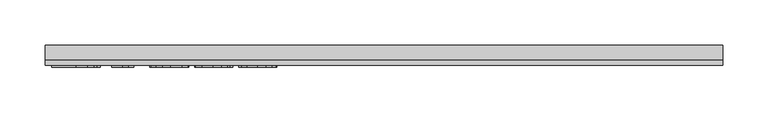
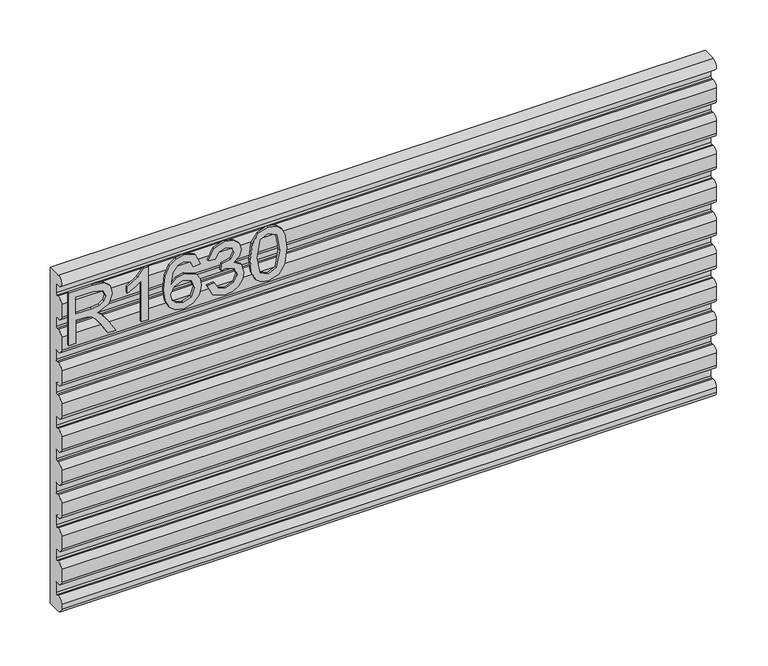
"""IFC4 building model written with IfcOpenShell, lengths in millimetres: furniture geometry."""

from ifc_helpers import new_model, si_unit, point, frame, frame_2d, origin, place, context, project, spatial, polyline, circle_curve, trimmed, segment, composite_curve, outline, extrude, source, transform, mapped, element, save


def furniture_6cfe3d48(model_context):
    return source(origin(), model_context, "Body", "SweptSolid", [
        extrude(outline(polyline([(1090.64298, -367.6729953), (1090.64298, -359.6992757), (1118.5509987, -359.6992757), (1118.5509987, -350.074747), (1118.2706726, -345.4493666), (1116.7522396, -341.6571777), (1112.61743, -337.4444997), (1103.8650268, -331.4486363), (1090.64298, -323.1478696), (1090.64298, -313.8815353), (1107.929755, -324.5183526), (1116.1370796, -330.9814262), (1119.5477136, -335.5133645), (1125.4812823, -322.1589415), (1136.9746516, -317.8372477), (1146.6225409, -320.4458376), (1152.7118463, -327.4228423), (1154.4327369, -340.1854658), (1154.4327369, -367.6729953), (1090.64298, -367.6729953)]), holes=[polyline([(1126.5247183, -359.6992757), (1146.4590173, -359.6992757), (1146.4590173, -339.842845), (1143.7024775, -329.1826671), (1136.6787519, -325.8109673), (1131.2669011, -327.578579), (1127.6538094, -332.7490378), (1126.5247183, -341.8518486), (1126.5247183, -359.6992757)])]), frame((0.0, -24.60625, 0.0), z_axis=(0.0, 1.0, 0.0), x_axis=(0.0, 0.0, 1.0)), (0.0, 0.0, 1.0), 2.38125),
        extrude(outline(polyline([(1090.64298, -276.9719347), (1154.4327369, -276.9719347), (1154.4327369, -282.1112462), (1145.9450862, -289.2050533), (1138.4852977, -300.8930935), (1130.9476409, -300.8930935), (1134.9734349, -292.4988848), (1140.3541382, -284.9456543), (1090.64298, -284.9456543), (1090.64298, -276.9719347)])), frame((0.0, -24.60625, 0.0), z_axis=(0.0, 1.0, 0.0), x_axis=(0.0, 0.0, 1.0)), (0.0, 0.0, 1.0), 2.38125),
        extrude(outline(polyline([(1137.4885828, -217.1690375), (1149.931946, -223.0558852), (1154.4327369, -235.6549852), (1152.6145108, -244.9096392), (1147.1598325, -252.0540609), (1136.3010903, -257.2868144), (1120.4198392, -259.0310655), (1106.2945195, -257.4600715), (1096.8101538, -252.7470892), (1091.4372372, -245.5423196), (1089.646265, -236.4959634), (1092.348297, -226.0460301), (1100.1351326, -218.804273), (1111.1379312, -216.1723226), (1119.3102151, -217.5700596), (1125.8239031, -221.7632705), (1131.508293, -235.3123644), (1129.4292079, -244.0258334), (1123.0673633, -251.0573459), (1137.2783382, -248.7913768), (1144.5278821, -243.3483787), (1146.4590173, -236.1533426), (1143.1418254, -228.1640494), (1136.4918678, -225.1427572), (1137.4885828, -217.1690375)]), holes=[polyline([(1111.2625206, -251.0573459), (1120.1473, -247.0938466), (1123.5345734, -237.4459574), (1120.1473, -227.6734787), (1110.8731788, -224.1460422), (1101.1863554, -227.7201997), (1097.6199847, -237.1189103), (1099.3408753, -244.3061595), (1104.3555974, -249.2118659), (1111.2625206, -251.0573459)])]), frame((0.0, -24.60625, 0.0), z_axis=(0.0, 1.0, 0.0), x_axis=(0.0, 0.0, 1.0)), (0.0, 0.0, 1.0), 2.38125),
        extrude(outline(polyline([(1107.5871342, -209.1953179), (1094.6454135, -202.8568338), (1089.646265, -188.8716771), (1091.1101901, -180.3489856), (1095.5019654, -173.438169), (1101.9961863, -168.8595097), (1109.7674481, -167.3332899), (1120.1395131, -170.3857295), (1125.590298, -179.075838), (1130.8697725, -172.5348961), (1138.2205453, -170.3234348), (1146.2643464, -172.6516986), (1152.2446362, -179.3795245), (1154.4327369, -188.9962665), (1149.9942407, -201.6732348), (1137.4885828, -208.198603), (1136.4918678, -200.2248834), (1143.9672299, -196.3158919), (1146.4590173, -188.7159404), (1143.9905905, -181.2094309), (1137.7533352, -178.2971544), (1130.7140358, -182.3151616), (1128.5181482, -192.6405055), (1120.5444286, -193.5282048), (1121.4165542, -187.9372568), (1118.15387, -178.8733802), (1109.9076112, -175.3070095), (1101.155208, -178.9045276), (1097.6199847, -188.591351), (1100.1896404, -196.8220362), (1108.5838491, -201.2215983), (1107.5871342, -209.1953179)])), frame((0.0, -24.60625, 0.0), z_axis=(0.0, 1.0, 0.0), x_axis=(0.0, 0.0, 1.0)), (0.0, 0.0, 1.0), 2.38125),
        extrude(outline(polyline([(1122.0239273, -160.3562853), (1106.5086575, -158.7677708), (1095.7199968, -154.0022274), (1091.164698, -147.7104643), (1089.646265, -139.4252713), (1093.1425542, -127.7528048), (1103.7482243, -120.8147343), (1122.0239273, -118.4942573), (1137.0135858, -119.9426087), (1146.4512305, -123.6802898), (1152.3770124, -130.1122159), (1154.4327369, -139.4252713), (1150.9598083, -151.0510168), (1140.3774988, -158.0124478), (1122.0239273, -160.3562853)]), holes=[polyline([(1122.039501, -152.3825656), (1142.1918314, -148.5202952), (1146.4590173, -139.5187133), (1141.6156056, -130.0810686), (1122.039501, -126.4679769), (1102.2531518, -130.205658), (1097.6199847, -139.4252713), (1102.2375782, -148.6448846), (1122.039501, -152.3825656)])]), frame((0.0, -24.60625, 0.0), z_axis=(0.0, 1.0, 0.0), x_axis=(0.0, 0.0, 1.0)), (0.0, 0.0, 1.0), 2.38125),
        extrude(outline(composite_curve([segment(polyline([(-11.1273551, 1148.9055559), (-11.1273551, 1159.3043159)]), True, "CONTINUOUS"), segment(trimmed(circle_curve(frame_2d((-12.7148551, 1159.3043159)), 1.5875), [point((-11.1273551, 1159.3043159))], [point((-12.9205788, 1160.8784296))], True, "CARTESIAN"), True, "CONTINUOUS"), segment(trimmed(circle_curve(frame_2d((-1.148465, 1077.303378)), 84.4000706), [point((-12.9205788, 1160.8784296))], [point((-15.1005681, 1160.5422555))], True, "CARTESIAN"), True, "CONTINUOUS"), segment(trimmed(circle_curve(frame_2d((-15.8898551, 1166.8404959)), 6.3475039), [point((-15.1005681, 1160.5422555))], [point((-15.8908532, 1173.1879996))], False, "CARTESIAN"), True, "CONTINUOUS"), segment(polyline([(-15.8908532, 1173.1879996), (-0.0148551, 1173.1904959), (-0.0148551, 766.79298), (-15.8898551, 766.79298)]), True, "CONTINUOUS"), segment(trimmed(circle_curve(frame_2d((-15.8898551, 773.1404838)), 6.3475038), [point((-15.8898551, 766.79298))], [point((-22.2373589, 773.1404838))], False, "CARTESIAN"), True, "CONTINUOUS"), segment(polyline([(-22.2373589, 773.1404838), (-22.2373589, 778.9469238)]), True, "CONTINUOUS"), segment(trimmed(circle_curve(frame_2d((-15.8898551, 778.9469238)), 6.3475038), [point((-22.2373589, 778.9469238))], [point((-15.1005681, 785.2451641))], False, "CARTESIAN"), True, "CONTINUOUS"), segment(trimmed(circle_curve(frame_2d((-1.148465, 868.4840417)), 84.4000706), [point((-15.1005681, 785.2451641))], [point((-12.9205788, 784.90899))], True, "CARTESIAN"), True, "CONTINUOUS"), segment(trimmed(circle_curve(frame_2d((-12.7148551, 786.4831038)), 1.5875), [point((-12.9205788, 784.90899))], [point((-11.1273551, 786.4831038))], True, "CARTESIAN"), True, "CONTINUOUS"), segment(polyline([(-11.1273551, 786.4831038), (-11.1273551, 798.4989873)]), True, "CONTINUOUS"), segment(trimmed(circle_curve(frame_2d((-12.7148551, 798.4989873)), 1.5875), [point((-11.1273551, 798.4989873))], [point((-12.9205788, 800.073101))], True, "CARTESIAN"), True, "CONTINUOUS"), segment(trimmed(circle_curve(frame_2d((-1.148465, 716.4980494)), 84.4000706), [point((-12.9205788, 800.073101))], [point((-15.1005681, 799.736927))], True, "CARTESIAN"), True, "CONTINUOUS"), segment(trimmed(circle_curve(frame_2d((-15.8898551, 806.0351673)), 6.3475039), [point((-15.1005681, 799.736927))], [point((-22.225, 805.6392578))], False, "CARTESIAN"), True, "CONTINUOUS"), segment(polyline([(-22.225, 805.6392578), (-22.225, 821.0494378)]), True, "CONTINUOUS"), segment(trimmed(circle_curve(frame_2d((-15.8898551, 820.6535283)), 6.3475039), [point((-22.225, 821.0494378))], [point((-15.1005681, 826.9517686))], False, "CARTESIAN"), True, "CONTINUOUS"), segment(trimmed(circle_curve(frame_2d((-1.148465, 910.1906462)), 84.4000706), [point((-15.1005681, 826.9517686))], [point((-12.9205788, 826.6155945))], True, "CARTESIAN"), True, "CONTINUOUS"), segment(trimmed(circle_curve(frame_2d((-12.7148551, 828.1897083)), 1.5875), [point((-12.9205788, 826.6155945))], [point((-11.1273551, 828.1897083))], True, "CARTESIAN"), True, "CONTINUOUS"), segment(polyline([(-11.1273551, 828.1897083), (-11.1273551, 838.5884683)]), True, "CONTINUOUS"), segment(trimmed(circle_curve(frame_2d((-12.7148551, 838.5884683)), 1.5875), [point((-11.1273551, 838.5884683))], [point((-12.9205788, 840.162582))], True, "CARTESIAN"), True, "CONTINUOUS"), segment(trimmed(circle_curve(frame_2d((-1.148465, 756.5875303)), 84.4000706), [point((-12.9205788, 840.162582))], [point((-15.1005681, 839.8264079))], True, "CARTESIAN"), True, "CONTINUOUS"), segment(trimmed(circle_curve(frame_2d((-15.8898551, 846.1246482)), 6.3475039), [point((-15.1005681, 839.8264079))], [point((-22.225, 845.7287387))], False, "CARTESIAN"), True, "CONTINUOUS"), segment(polyline([(-22.225, 845.7287387), (-22.225, 861.1389187)]), True, "CONTINUOUS"), segment(trimmed(circle_curve(frame_2d((-15.8898551, 860.7430092)), 6.3475039), [point((-22.225, 861.1389187))], [point((-15.1005681, 867.0412496))], False, "CARTESIAN"), True, "CONTINUOUS"), segment(trimmed(circle_curve(frame_2d((-1.148465, 950.2801271)), 84.4000706), [point((-15.1005681, 867.0412496))], [point((-12.9205788, 866.7050755))], True, "CARTESIAN"), True, "CONTINUOUS"), segment(trimmed(circle_curve(frame_2d((-12.7148551, 868.2791892)), 1.5875), [point((-12.9205788, 866.7050755))], [point((-11.1273551, 868.2791892))], True, "CARTESIAN"), True, "CONTINUOUS"), segment(polyline([(-11.1273551, 868.2791892), (-11.1273551, 878.6779492)]), True, "CONTINUOUS"), segment(trimmed(circle_curve(frame_2d((-12.7148551, 878.6779492)), 1.5875), [point((-11.1273551, 878.6779492))], [point((-12.9205788, 880.2520629))], True, "CARTESIAN"), True, "CONTINUOUS"), segment(trimmed(circle_curve(frame_2d((-1.148465, 796.6770113)), 84.4000706), [point((-12.9205788, 880.2520629))], [point((-15.1005681, 879.9158889))], True, "CARTESIAN"), True, "CONTINUOUS"), segment(trimmed(circle_curve(frame_2d((-15.8898551, 886.2141292)), 6.3475039), [point((-15.1005681, 879.9158889))], [point((-22.225, 885.8182197))], False, "CARTESIAN"), True, "CONTINUOUS"), segment(polyline([(-22.225, 885.8182197), (-22.225, 901.2283997)]), True, "CONTINUOUS"), segment(trimmed(circle_curve(frame_2d((-15.8898551, 900.8324902)), 6.3475039), [point((-22.225, 901.2283997))], [point((-15.1005681, 907.1307305))], False, "CARTESIAN"), True, "CONTINUOUS"), segment(trimmed(circle_curve(frame_2d((-1.148465, 990.3696081)), 84.4000706), [point((-15.1005681, 907.1307305))], [point((-12.9205788, 906.7945564))], True, "CARTESIAN"), True, "CONTINUOUS"), segment(trimmed(circle_curve(frame_2d((-12.7148551, 908.3686702)), 1.5875), [point((-12.9205788, 906.7945564))], [point((-11.1273551, 908.3686702))], True, "CARTESIAN"), True, "CONTINUOUS"), segment(polyline([(-11.1273551, 908.3686702), (-11.1273551, 918.7674302)]), True, "CONTINUOUS"), segment(trimmed(circle_curve(frame_2d((-12.7148551, 918.7674302)), 1.5875), [point((-11.1273551, 918.7674302))], [point((-12.9205788, 920.3415439))], True, "CARTESIAN"), True, "CONTINUOUS"), segment(trimmed(circle_curve(frame_2d((-1.148465, 836.7664922)), 84.4000706), [point((-12.9205788, 920.3415439))], [point((-15.1005681, 920.0053698))], True, "CARTESIAN"), True, "CONTINUOUS"), segment(trimmed(circle_curve(frame_2d((-15.8898551, 926.3036101)), 6.3475039), [point((-15.1005681, 920.0053698))], [point((-22.225, 925.9077006))], False, "CARTESIAN"), True, "CONTINUOUS"), segment(polyline([(-22.225, 925.9077006), (-22.225, 941.3178806)]), True, "CONTINUOUS"), segment(trimmed(circle_curve(frame_2d((-15.8898551, 940.9219711)), 6.3475039), [point((-22.225, 941.3178806))], [point((-15.1005681, 947.2202115))], False, "CARTESIAN"), True, "CONTINUOUS"), segment(trimmed(circle_curve(frame_2d((-1.148465, 1030.4590891)), 84.4000706), [point((-15.1005681, 947.2202115))], [point((-12.9205788, 946.8840374))], True, "CARTESIAN"), True, "CONTINUOUS"), segment(trimmed(circle_curve(frame_2d((-12.7148551, 948.4581511)), 1.5875), [point((-12.9205788, 946.8840374))], [point((-11.1273551, 948.4581511))], True, "CARTESIAN"), True, "CONTINUOUS"), segment(polyline([(-11.1273551, 948.4581511), (-11.1273551, 958.8569111)]), True, "CONTINUOUS"), segment(trimmed(circle_curve(frame_2d((-12.7148551, 958.8569111)), 1.5875), [point((-11.1273551, 958.8569111))], [point((-12.9205788, 960.4310249))], True, "CARTESIAN"), True, "CONTINUOUS"), segment(trimmed(circle_curve(frame_2d((-1.148465, 876.8559732)), 84.4000706), [point((-12.9205788, 960.4310249))], [point((-15.1005681, 960.0948508))], True, "CARTESIAN"), True, "CONTINUOUS"), segment(trimmed(circle_curve(frame_2d((-15.8898551, 966.3930911)), 6.3475039), [point((-15.1005681, 960.0948508))], [point((-22.225, 965.9971816))], False, "CARTESIAN"), True, "CONTINUOUS"), segment(polyline([(-22.225, 965.9971816), (-22.225, 981.4073616)]), True, "CONTINUOUS"), segment(trimmed(circle_curve(frame_2d((-15.8898551, 981.0114521)), 6.3475039), [point((-22.225, 981.4073616))], [point((-15.1005681, 987.3096924))], False, "CARTESIAN"), True, "CONTINUOUS"), segment(trimmed(circle_curve(frame_2d((-1.148465, 1070.54857)), 84.4000706), [point((-15.1005681, 987.3096924))], [point((-12.9205788, 986.9735183))], True, "CARTESIAN"), True, "CONTINUOUS"), segment(trimmed(circle_curve(frame_2d((-12.7148551, 988.5476321)), 1.5875), [point((-12.9205788, 986.9735183))], [point((-11.1273551, 988.5476321))], True, "CARTESIAN"), True, "CONTINUOUS"), segment(polyline([(-11.1273551, 988.5476321), (-11.1273551, 998.9463921)]), True, "CONTINUOUS"), segment(trimmed(circle_curve(frame_2d((-12.7148551, 998.9463921)), 1.5875), [point((-11.1273551, 998.9463921))], [point((-12.9205788, 1000.5205058))], True, "CARTESIAN"), True, "CONTINUOUS"), segment(trimmed(circle_curve(frame_2d((-1.148465, 916.9454541)), 84.4000706), [point((-12.9205788, 1000.5205058))], [point((-15.1005681, 1000.1843317))], True, "CARTESIAN"), True, "CONTINUOUS"), segment(trimmed(circle_curve(frame_2d((-15.8898551, 1006.482572)), 6.3475039), [point((-15.1005681, 1000.1843317))], [point((-22.225, 1006.0866626))], False, "CARTESIAN"), True, "CONTINUOUS"), segment(polyline([(-22.225, 1006.0866626), (-22.225, 1021.4968426)]), True, "CONTINUOUS"), segment(trimmed(circle_curve(frame_2d((-15.8898551, 1021.1009331)), 6.3475039), [point((-22.225, 1021.4968426))], [point((-15.1005681, 1027.3991734))], False, "CARTESIAN"), True, "CONTINUOUS"), segment(trimmed(circle_curve(frame_2d((-1.148465, 1110.638051)), 84.4000706), [point((-15.1005681, 1027.3991734))], [point((-12.9205788, 1027.0629993))], True, "CARTESIAN"), True, "CONTINUOUS"), segment(trimmed(circle_curve(frame_2d((-12.7148551, 1028.637113)), 1.5875), [point((-12.9205788, 1027.0629993))], [point((-11.1273551, 1028.637113))], True, "CARTESIAN"), True, "CONTINUOUS"), segment(polyline([(-11.1273551, 1028.637113), (-11.1273551, 1039.035873)]), True, "CONTINUOUS"), segment(trimmed(circle_curve(frame_2d((-12.7148551, 1039.035873)), 1.5875), [point((-11.1273551, 1039.035873))], [point((-12.9205788, 1040.6099868))], True, "CARTESIAN"), True, "CONTINUOUS"), segment(trimmed(circle_curve(frame_2d((-1.148465, 957.0349351)), 84.4000706), [point((-12.9205788, 1040.6099868))], [point((-15.1005681, 1040.2738127))], True, "CARTESIAN"), True, "CONTINUOUS"), segment(trimmed(circle_curve(frame_2d((-15.8898551, 1046.572053)), 6.3475039), [point((-15.1005681, 1040.2738127))], [point((-22.225, 1046.1761435))], False, "CARTESIAN"), True, "CONTINUOUS"), segment(polyline([(-22.225, 1046.1761435), (-22.225, 1061.5863235)]), True, "CONTINUOUS"), segment(trimmed(circle_curve(frame_2d((-15.8898551, 1061.190414)), 6.3475039), [point((-22.225, 1061.5863235))], [point((-15.1005681, 1067.4886543))], False, "CARTESIAN"), True, "CONTINUOUS"), segment(trimmed(circle_curve(frame_2d((-1.148465, 1150.7275319)), 84.4000706), [point((-15.1005681, 1067.4886543))], [point((-12.9205788, 1067.1524803))], True, "CARTESIAN"), True, "CONTINUOUS"), segment(trimmed(circle_curve(frame_2d((-12.7148551, 1068.726594)), 1.5875), [point((-12.9205788, 1067.1524803))], [point((-11.1273551, 1068.726594))], True, "CARTESIAN"), True, "CONTINUOUS"), segment(polyline([(-11.1273551, 1068.726594), (-11.1273551, 1079.125354)]), True, "CONTINUOUS"), segment(trimmed(circle_curve(frame_2d((-12.7148551, 1079.125354)), 1.5875), [point((-11.1273551, 1079.125354))], [point((-12.9205788, 1080.6994677))], True, "CARTESIAN"), True, "CONTINUOUS"), segment(trimmed(circle_curve(frame_2d((-1.148465, 997.1244161)), 84.4000706), [point((-12.9205788, 1080.6994677))], [point((-15.1005681, 1080.3632936))], True, "CARTESIAN"), True, "CONTINUOUS"), segment(trimmed(circle_curve(frame_2d((-15.8898551, 1086.661534)), 6.3475039), [point((-15.1005681, 1080.3632936))], [point((-22.225, 1086.2656245))], False, "CARTESIAN"), True, "CONTINUOUS"), segment(polyline([(-22.225, 1086.2656245), (-22.225, 1101.6758045)]), True, "CONTINUOUS"), segment(trimmed(circle_curve(frame_2d((-15.8898551, 1101.279895)), 6.3475039), [point((-22.225, 1101.6758045))], [point((-15.1005681, 1107.5781353))], False, "CARTESIAN"), True, "CONTINUOUS"), segment(trimmed(circle_curve(frame_2d((-1.148465, 1190.8170129)), 84.4000706), [point((-15.1005681, 1107.5781353))], [point((-12.9205788, 1107.2419612))], True, "CARTESIAN"), True, "CONTINUOUS"), segment(trimmed(circle_curve(frame_2d((-12.7148551, 1108.8160749)), 1.5875), [point((-12.9205788, 1107.2419612))], [point((-11.1273551, 1108.8160749))], True, "CARTESIAN"), True, "CONTINUOUS"), segment(polyline([(-11.1273551, 1108.8160749), (-11.1273551, 1119.2148349)]), True, "CONTINUOUS"), segment(trimmed(circle_curve(frame_2d((-12.7148551, 1119.2148349)), 1.5875), [point((-11.1273551, 1119.2148349))], [point((-12.9205788, 1120.7889487))], True, "CARTESIAN"), True, "CONTINUOUS"), segment(trimmed(circle_curve(frame_2d((-1.148465, 1037.213897)), 84.4000706), [point((-12.9205788, 1120.7889487))], [point((-15.1005681, 1120.4527746))], True, "CARTESIAN"), True, "CONTINUOUS"), segment(trimmed(circle_curve(frame_2d((-15.8898551, 1126.7510149)), 6.3475039), [point((-15.1005681, 1120.4527746))], [point((-22.225, 1126.3551054))], False, "CARTESIAN"), True, "CONTINUOUS"), segment(polyline([(-22.225, 1126.3551054), (-22.225, 1141.7652854)]), True, "CONTINUOUS"), segment(trimmed(circle_curve(frame_2d((-15.8898551, 1141.3693759)), 6.3475039), [point((-22.225, 1141.7652854))], [point((-15.1005681, 1147.6676162))], False, "CARTESIAN"), True, "CONTINUOUS"), segment(trimmed(circle_curve(frame_2d((-1.148465, 1230.9064938)), 84.4000706), [point((-15.1005681, 1147.6676162))], [point((-12.9205788, 1147.3314422))], True, "CARTESIAN"), True, "CONTINUOUS"), segment(trimmed(circle_curve(frame_2d((-12.7148551, 1148.9055559)), 1.5875), [point((-12.9205788, 1147.3314422))], [point((-11.1273551, 1148.9055559))], True, "CARTESIAN"), True, "CONTINUOUS")], self_intersect=False)), frame((-374.65, 0.0, 0.0), z_axis=(1.0, 0.0, 0.0), x_axis=(0.0, 1.0, 0.0)), (0.0, 0.0, 1.0), 749.3),
    ])


if __name__ == "__main__":
    model = new_model("IFC4")
    model_context = context("Model", 3, world=origin())
    ifc_project = project(units=[si_unit("LENGTHUNIT", "METRE", prefix="MILLI")], contexts=[model_context])
    site = spatial("IfcSite", under=ifc_project)
    building = spatial("IfcBuilding", under=site)
    placement = place(None, origin())
    furniture_shape = furniture_6cfe3d48(model_context)
    element("IfcFurniture", 1, at=placement, inside=building, context=model_context, shape_type="MappedRepresentation", body=[
        mapped(furniture_shape, transform((0.0, 0.0, 0.0), x_axis=(1.0, 0.0, 0.0), y_axis=(0.0, 1.0, 0.0), z_axis=(0.0, 0.0, 1.0))),
    ])
    save(model, "model.ifc")
